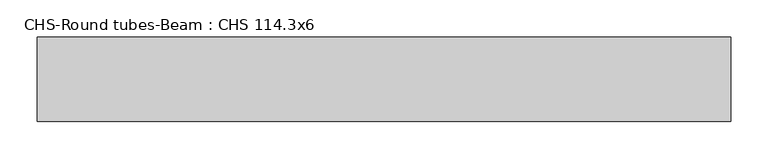
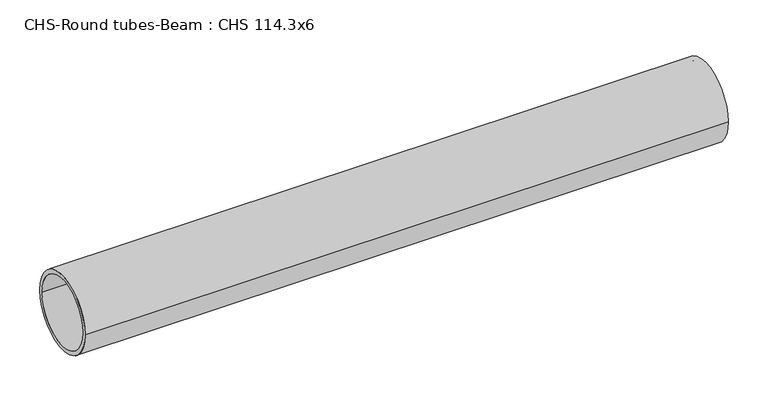
"""IFC4 building model written with IfcOpenShell, lengths in millimetres: beam geometry, CHS-Round tubes-Beam : CHS 114.3x6."""

from ifc_helpers import new_model, si_unit, point, frame, origin, origin_2d, place, context, project, spatial, circle_curve, trimmed, segment, composite_curve, outline, extrude, source, transform, mapped, element, save


def chs_round_tubes_beam_chs_114_3x6_37b32bc3(model_context):
    return source(origin(), model_context, "Body", "SweptSolid", [
        extrude(outline(composite_curve([segment(trimmed(circle_curve(origin_2d(), 57.15), [point((57.15, 0.0))], [point((-57.15, 0.0))], False, "CARTESIAN"), True, "CONTINUOUS"), segment(trimmed(circle_curve(origin_2d(), 57.15), [point((-57.15, 0.0))], [point((57.15, 0.0))], False, "CARTESIAN"), True, "CONTINUOUS")], self_intersect=False), holes=[composite_curve([segment(trimmed(circle_curve(origin_2d(), 51.15), [point((51.15, 0.0))], [point((-51.15, 0.0))], True, "CARTESIAN"), True, "CONTINUOUS"), segment(trimmed(circle_curve(origin_2d(), 51.15), [point((-51.15, 0.0))], [point((51.15, 0.0))], True, "CARTESIAN"), True, "CONTINUOUS")], self_intersect=False)]), frame((-498.3242853, 0.0, 0.0), z_axis=(1.0, 0.0, 0.0), x_axis=(0.0, 1.0, 0.0)), (0.0, 0.0, 1.0), 935.1747671),
    ])


if __name__ == "__main__":
    model = new_model("IFC4")
    model_context = context("Model", 3, world=origin())
    ifc_project = project(units=[si_unit("LENGTHUNIT", "METRE", prefix="MILLI")], contexts=[model_context])
    site = spatial("IfcSite", under=ifc_project)
    building = spatial("IfcBuilding", under=site)
    placement = place(None, origin())
    chs_round_tubes_beam_chs_114_3x6_shape = chs_round_tubes_beam_chs_114_3x6_37b32bc3(model_context)
    element("IfcBeam", 1, ObjectType="CHS-Round tubes-Beam : CHS 114.3x6", at=placement, inside=building, context=model_context, shape_type="MappedRepresentation", body=[
        mapped(chs_round_tubes_beam_chs_114_3x6_shape, transform((0.0, 0.0, 0.0), x_axis=(1.0, 0.0, 0.0), y_axis=(0.0, 1.0, 0.0), z_axis=(0.0, 0.0, 1.0))),
    ])
    save(model, "model.ifc")
